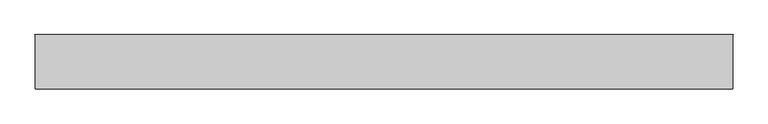
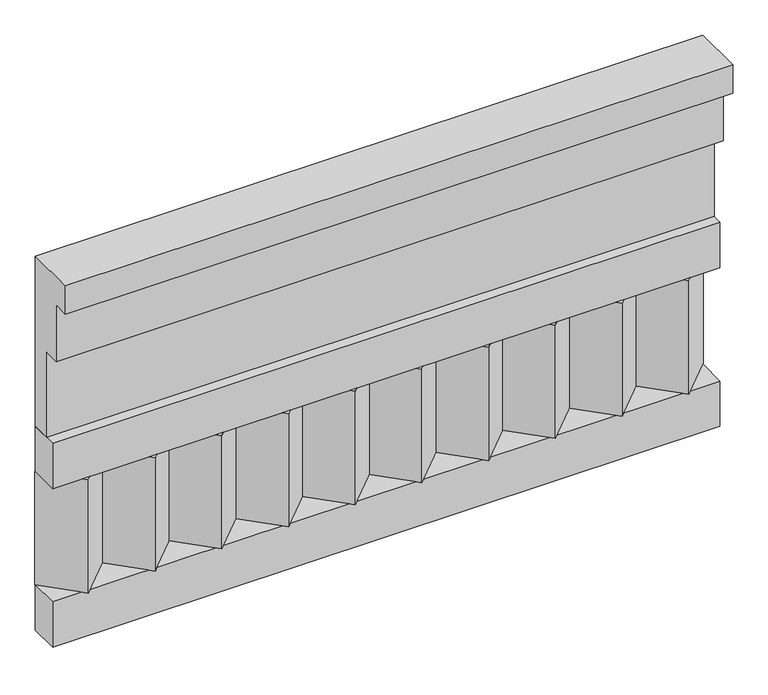
"""IFC4 building model written with IfcOpenShell, lengths in millimetres: railing geometry."""

from ifc_helpers import new_model, si_unit, frame, origin, place, context, project, spatial, polyline, outline, extrude, source, transform, mapped, element, save


def railing_4f8dd0e6(model_context):
    return source(origin(), model_context, "Body", "SweptSolid", [
        extrude(outline(polyline([(-16816.8920513, 15205.0), (-16816.8920513, 14755.0), (-16866.8920513, 14755.0), (-16866.8920513, 14980.0), (-16906.8920513, 14980.0), (-16906.8920513, 15130.0), (-16946.8920513, 15130.0), (-16946.8920513, 15205.0), (-16816.8920513, 15205.0)])), frame((-36509.9887159, 0.0, 0.0), z_axis=(1.0, 0.0, 0.0), x_axis=(0.0, 1.0, 0.0)), (0.0, 0.0, 1.0), 1670.0),
        extrude(outline(polyline([(-36509.9887159, -16891.8920513), (-36509.9887159, -16816.8920513), (-34839.9887159, -16816.8920513), (-34839.9887159, -16891.8920513), (-36509.9887159, -16891.8920513)])), frame((0.0, 0.0, 14635.0), z_axis=(0.0, 0.0, 1.0), x_axis=(1.0, 0.0, 0.0)), (0.0, 0.0, 1.0), 120.0),
        extrude(outline(polyline([(-36509.9887159, -16891.8920513), (-36509.9887159, -16816.8920513), (-34839.9887159, -16816.8920513), (-34839.9887159, -16891.8920513), (-36509.9887159, -16891.8920513)])), frame((0.0, 0.0, 14215.0), z_axis=(0.0, 0.0, 1.0), x_axis=(1.0, 0.0, 0.0)), (0.0, 0.0, 1.0), 120.0),
        extrude(outline(polyline([(-34923.4887159, -16901.7448651), (-35008.3415296, -16816.8920513), (-34838.6359022, -16816.8920513), (-34923.4887159, -16901.7448651)])), frame((0.0, 0.0, 14335.0), z_axis=(0.0, 0.0, 1.0), x_axis=(1.0, 0.0, 0.0)), (0.0, 0.0, 1.0), 300.0),
        extrude(outline(polyline([(-35090.4887159, -16901.7448651), (-35175.3415296, -16816.8920513), (-35005.6359022, -16816.8920513), (-35090.4887159, -16901.7448651)])), frame((0.0, 0.0, 14335.0), z_axis=(0.0, 0.0, 1.0), x_axis=(1.0, 0.0, 0.0)), (0.0, 0.0, 1.0), 300.0),
        extrude(outline(polyline([(-35257.4887159, -16901.7448651), (-35342.3415296, -16816.8920513), (-35172.6359022, -16816.8920513), (-35257.4887159, -16901.7448651)])), frame((0.0, 0.0, 14335.0), z_axis=(0.0, 0.0, 1.0), x_axis=(1.0, 0.0, 0.0)), (0.0, 0.0, 1.0), 300.0),
        extrude(outline(polyline([(-35424.4887159, -16901.7448651), (-35509.3415296, -16816.8920513), (-35339.6359022, -16816.8920513), (-35424.4887159, -16901.7448651)])), frame((0.0, 0.0, 14335.0), z_axis=(0.0, 0.0, 1.0), x_axis=(1.0, 0.0, 0.0)), (0.0, 0.0, 1.0), 300.0),
        extrude(outline(polyline([(-35591.4887159, -16901.7448651), (-35676.3415296, -16816.8920513), (-35506.6359022, -16816.8920513), (-35591.4887159, -16901.7448651)])), frame((0.0, 0.0, 14335.0), z_axis=(0.0, 0.0, 1.0), x_axis=(1.0, 0.0, 0.0)), (0.0, 0.0, 1.0), 300.0),
        extrude(outline(polyline([(-35758.4887159, -16901.7448651), (-35843.3415296, -16816.8920513), (-35673.6359022, -16816.8920513), (-35758.4887159, -16901.7448651)])), frame((0.0, 0.0, 14335.0), z_axis=(0.0, 0.0, 1.0), x_axis=(1.0, 0.0, 0.0)), (0.0, 0.0, 1.0), 300.0),
        extrude(outline(polyline([(-35925.4887159, -16901.7448651), (-36010.3415296, -16816.8920513), (-35840.6359022, -16816.8920513), (-35925.4887159, -16901.7448651)])), frame((0.0, 0.0, 14335.0), z_axis=(0.0, 0.0, 1.0), x_axis=(1.0, 0.0, 0.0)), (0.0, 0.0, 1.0), 300.0),
        extrude(outline(polyline([(-36092.4887159, -16901.7448651), (-36177.3415296, -16816.8920513), (-36007.6359022, -16816.8920513), (-36092.4887159, -16901.7448651)])), frame((0.0, 0.0, 14335.0), z_axis=(0.0, 0.0, 1.0), x_axis=(1.0, 0.0, 0.0)), (0.0, 0.0, 1.0), 300.0),
        extrude(outline(polyline([(-36259.4887159, -16901.7448651), (-36344.3415296, -16816.8920513), (-36174.6359022, -16816.8920513), (-36259.4887159, -16901.7448651)])), frame((0.0, 0.0, 14335.0), z_axis=(0.0, 0.0, 1.0), x_axis=(1.0, 0.0, 0.0)), (0.0, 0.0, 1.0), 300.0),
        extrude(outline(polyline([(-36426.4887159, -16901.7448651), (-36511.3415296, -16816.8920513), (-36341.6359022, -16816.8920513), (-36426.4887159, -16901.7448651)])), frame((0.0, 0.0, 14335.0), z_axis=(0.0, 0.0, 1.0), x_axis=(1.0, 0.0, 0.0)), (0.0, 0.0, 1.0), 300.0),
    ])


if __name__ == "__main__":
    model = new_model("IFC4")
    model_context = context("Model", 3, world=origin())
    ifc_project = project(units=[si_unit("LENGTHUNIT", "METRE", prefix="MILLI")], contexts=[model_context])
    site = spatial("IfcSite", under=ifc_project)
    building = spatial("IfcBuilding", under=site)
    placement = place(None, origin())
    railing_shape = railing_4f8dd0e6(model_context)
    element("IfcRailing", 1, at=placement, inside=building, context=model_context, shape_type="MappedRepresentation", body=[
        mapped(railing_shape, transform((0.0, 0.0, 0.0), x_axis=(1.0, 0.0, 0.0), y_axis=(0.0, 1.0, 0.0), z_axis=(0.0, 0.0, 1.0))),
    ])
    save(model, "model.ifc")
